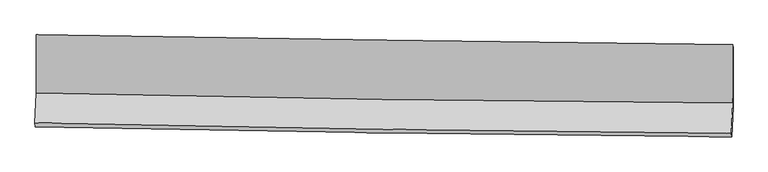
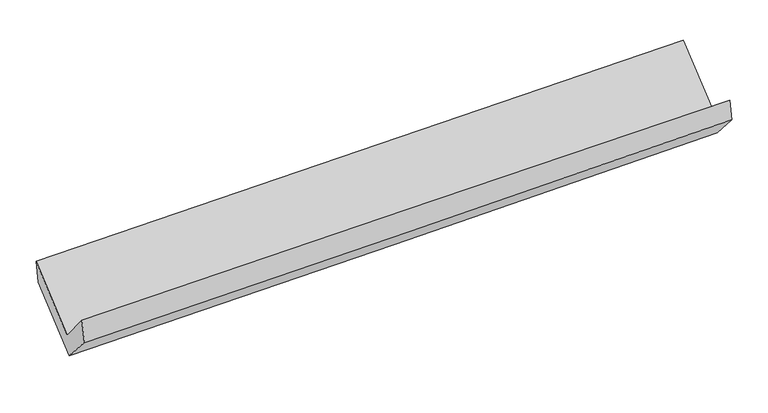
"""IFC4 building model written with IfcOpenShell, lengths in millimetres: proxy geometry."""

from ifc_helpers import new_model, si_unit, frame, origin, place, context, project, spatial, source, transform, mapped, element, save
from ifc_brep_helpers import plane_surface, spline_curve, spline_surface, advanced_brep


def generic_models_d7b3d9aa(model_context):
    return source(origin(), model_context, "Body", "AdvancedBrep", [
        advanced_brep(
        [(-3025.0226051, -1164.3589806, 2171.2494328), (-3024.7008146, -1671.0808025, 1740.4179666), (3014.8047584, -1755.6557407, 1874.2090521), (3013.8367364, -1248.5675556, 2305.3281335), (-3036.0662969, -1929.7947506, 2050.0452443), (3003.4245526, -2021.8991315, 2178.7342452), (-3032.2778867, -1962.8080563, 1848.9271374), (3006.7840663, -2053.0666758, 2004.8732062), (-3021.0958764, -1698.7427527, 1552.1210312), (3017.6739476, -1795.5008581, 1715.6057355), (-3021.2560061, -1191.1641397, 1976.2304571), (3017.0058502, -1280.4386521, 2139.4312721)],
        [
            (0, 1),
            (1, 2, spline_curve(3, [(-3024.7008146, -1671.0808025, 1740.4179666), (-2018.451345864, -1694.203075353, 1770.953785288), (-1012.041053436, -1712.812090294, 1797.370859656), (1001.127462751, -1741.003972162, 1841.968103379), (2007.885694292, -1750.586603244, 1860.148057211), (3014.8047584, -1755.6557407, 1874.2090521)], [4, 2, 4], [0.0, 9.910146204655613, 19.820551174488223])),
            (2, 3),
            (3, 0, spline_curve(3, [(3013.8367364, -1248.5675556, 2305.3281335), (2007.300715721, -1237.268191187, 2283.447630882), (1000.787857343, -1224.601017997, 2261.334005261), (-1012.16525504, -1196.531421662, 2216.641093023), (-2018.605510535, -1181.129069741, 2194.061818023), (-3025.0226051, -1164.3589806, 2171.2494328)], [4, 2, 4], [0.0, 9.91040496983261, 19.820551174488223])),
            (1, 4),
            (4, 5, spline_curve(3, [(-3036.0662969, -1929.7947506, 2050.0452443), (-2029.817054631, -1951.723177475, 2081.504395839), (-1023.408102144, -1970.362698939, 2107.957980195), (989.755505996, -2001.064330883, 2150.854575237), (1996.510170129, -2013.126269977, 2167.29732442), (3003.4245526, -2021.8991315, 2178.7342452)], [4, 2, 4], [0.0, 9.910790255552449, 19.821839293098797])),
            (5, 2),
            (4, 6),
            (6, 7, spline_curve(3, [(-3032.2778867, -1962.8080563, 1848.9271374), (-2025.903121897, -1984.904084856, 1875.837459211), (-1019.467147651, -2003.473598937, 1902.287962034), (993.553500036, -2033.559989253, 1954.270009212), (2000.138176917, -2045.076682219, 1979.801528963), (3006.7840663, -2053.0666758, 2004.8732062)], [4, 2, 4], [0.0, 9.910809360090505, 19.82187750267375])),
            (7, 5),
            (6, 8),
            (8, 9, spline_curve(3, [(-3021.0958764, -1698.7427527, 1552.1210312), (-2014.770334413, -1721.971854768, 1580.266024182), (-1008.383315351, -1741.649522261, 1607.962074054), (1004.539956065, -1773.902409613, 1662.456998599), (2011.076211658, -1786.47744395, 1689.255850508), (3017.6739476, -1795.5008581, 1715.6057355)], [4, 2, 4], [0.0, 9.910953164983201, 19.82216511621405])),
            (9, 7),
            (8, 10),
            (10, 11, spline_curve(3, [(-3021.2560061, -1191.1641397, 1976.2304571), (-2015.066230038, -1215.636560577, 2004.417928866), (-1008.789424408, -1235.312279327, 2032.111561337), (1003.964522912, -1265.070700381, 2086.511859081), (2010.441669441, -1275.153152498, 2113.218498009), (3017.0058502, -1280.4386521, 2139.4312721)], [4, 2, 4], [0.0, 9.910472327311162, 19.821203428314753])),
            (11, 9),
            (10, 0),
            (3, 11),
        ],
        [
            spline_surface(3, 3, [[(-3025.0226051, -1164.3589806, 2171.2494328), (-2018.605510598, -1181.129069621, 2194.061818106), (-1012.165255162, -1196.53142161, 2216.641092934), (1000.787857465, -1224.60101805, 2261.334005349), (2007.300715857, -1237.268191035, 2283.447630738), (3013.8367364, -1248.5675556, 2305.3281335)], [(-3024.915341618, -1333.266254564, 2027.638944076), (-2018.554122385, -1352.153738216, 2053.025807121), (-1012.123854542, -1368.624977832, 2076.884348522), (1000.901059188, -1396.735336049, 2121.545371332), (2007.495708672, -1408.374328429, 2142.347772904), (3014.159410381, -1417.596950628, 2161.621773041)], [(-3024.808078082, -1502.173528536, 1884.028455324), (-2018.502734118, -1523.178406819, 1911.989796109), (-1012.08245393, -1540.71853412, 1937.12760413), (1001.014260903, -1568.869654115, 1981.756737334), (2007.690701545, -1579.480465839, 2001.247915045), (3014.482084419, -1586.626345672, 2017.915412559)], [(-3024.7008146, -1671.0808025, 1740.4179666), (-2018.451345905, -1694.203075414, 1770.953785124), (-1012.04105331, -1712.812090342, 1797.370859717), (1001.127462626, -1741.003972114, 1841.968103317), (2007.885694361, -1750.586603233, 1860.14805721), (3014.8047584, -1755.6557407, 1874.2090521)]], [4, 4], [4, 2, 4], [0.0, 2.182280354335797], [0.0, 9.910146204655613, 19.820551174488223]),
            spline_surface(3, 3, [[(-3024.7008146, -1671.0808025, 1740.4179666), (-2018.451345905, -1694.203075414, 1770.953785124), (-1012.04105331, -1712.812090342, 1797.370859717), (1001.127462626, -1741.003972114, 1841.968103317), (2007.885694361, -1750.586603233, 1860.14805721), (3014.8047584, -1755.6557407, 1874.2090521)], [(-3028.48930868, -1757.318785189, 1843.627059153), (-2022.239915474, -1780.043109456, 1874.470655328), (-1015.830069602, -1798.662293188, 1900.899899884), (997.336810399, -1827.690758391, 1944.930260631), (2004.093852902, -1838.099825449, 1962.531146272), (3011.011356456, -1844.40353762, 1975.717449784)], [(-3032.27780282, -1843.556767911, 1946.836151747), (-2026.028485102, -1865.883143531, 1977.987525572), (-1019.619085848, -1884.512496033, 2004.428940028), (993.546158218, -1914.377544667, 2047.892417924), (2000.302011476, -1925.613047706, 2064.914235382), (3007.217954544, -1933.15133458, 2077.225847516)], [(-3036.0662969, -1929.7947506, 2050.0452443), (-2029.81705467, -1951.723177573, 2081.504395776), (-1023.40810214, -1970.362698879, 2107.957980195), (989.755505991, -2001.064330943, 2150.854575238), (1996.510170018, -2013.126269922, 2167.297324444), (3003.4245526, -2021.8991315, 2178.7342452)]], [4, 4], [4, 2, 4], [0.0, 1.3247706094111535], [0.0, 9.910790255552449, 19.821839293098797]),
            spline_surface(3, 3, [[(-3036.0662969, -1929.7947506, 2050.0452443), (-2029.81705467, -1951.723177573, 2081.504395776), (-1023.40810214, -1970.362698879, 2107.957980195), (989.755505991, -2001.064330943, 2150.854575238), (1996.510170018, -2013.126269922, 2167.297324444), (3003.4245526, -2021.8991315, 2178.7342452)], [(-3034.803493517, -1940.79918586, 1983.005875355), (-2028.512410422, -1962.783480064, 2012.948750254), (-1022.094450662, -1981.399665536, 2039.401307492), (991.021504032, -2011.896217127, 2085.326386504), (1997.719505678, -2023.776407329, 2104.798725991), (3004.544390529, -2032.28831293, 2120.780565554)], [(-3033.540690083, -1951.80362104, 1915.966506345), (-2027.207766122, -1973.843782475, 1944.393104668), (-1020.780799196, -1992.436632116, 1970.844634851), (992.287502062, -2022.728103233, 2019.798197832), (1998.928841252, -2034.426544746, 2042.300127475), (3005.664228371, -2042.67749437, 2062.826885846)], [(-3032.2778867, -1962.8080563, 1848.9271374), (-2025.903121874, -1984.904084966, 1875.837459146), (-1019.467147718, -2003.473598773, 1902.287962148), (993.553500103, -2033.559989416, 1954.270009098), (2000.138176913, -2045.076682153, 1979.801529022), (3006.7840663, -2053.0666758, 2004.8732062)]], [4, 4], [4, 2, 4], [0.0, 0.668705414841524], [0.0, 9.910809360090505, 19.82187750267375]),
            spline_surface(3, 3, [[(-3032.2778867, -1962.8080563, 1848.9271374), (-2025.903121874, -1984.904084966, 1875.837459146), (-1019.467147718, -2003.473598773, 1902.287962148), (993.553500103, -2033.559989416, 1954.270009098), (2000.138176913, -2045.076682153, 1979.801529022), (3006.7840663, -2053.0666758, 2004.8732062)], [(-3028.550549924, -1874.786288427, 1749.991768662), (-2022.192192702, -1897.260008222, 1777.313647453), (-1015.772536942, -1916.198906621, 1804.179332737), (997.215652083, -1947.007462799, 1856.99900566), (2003.784188498, -1958.876936045, 1882.952969463), (3010.414026704, -1967.211403231, 1908.450715947)], [(-3024.823213176, -1786.764520573, 1651.056399938), (-2018.481263559, -1809.615931497, 1678.789835775), (-1012.077926136, -1828.924214466, 1706.070703304), (1000.877804094, -1860.454936178, 1759.728002199), (2007.430200171, -1872.677189946, 1786.104409964), (3014.043987196, -1881.356130669, 1812.028225753)], [(-3021.0958764, -1698.7427527, 1552.1210312), (-2014.770334388, -1721.971854753, 1580.266024082), (-1008.38331536, -1741.649522313, 1607.962073893), (1004.539956074, -1773.902409561, 1662.45699876), (2011.076211756, -1786.477443838, 1689.255850405), (3017.6739476, -1795.5008581, 1715.6057355)]], [4, 4], [4, 2, 4], [0.0, 1.2874829325628552], [0.0, 9.910953164983201, 19.82216511621405]),
            spline_surface(3, 3, [[(-3021.0958764, -1698.7427527, 1552.1210312), (-2014.770334388, -1721.971854753, 1580.266024082), (-1008.38331536, -1741.649522313, 1607.962073893), (1004.539956074, -1773.902409561, 1662.45699876), (2011.076211756, -1786.477443838, 1689.255850405), (3017.6739476, -1795.5008581, 1715.6057355)], [(-3021.149252983, -1529.549881693, 1693.490839839), (-2014.868966302, -1553.193423345, 1721.649992331), (-1008.518685079, -1572.870441256, 1749.345236433), (1004.348145062, -1604.291839856, 1803.80861883), (2010.864697699, -1616.036013457, 1830.576732933), (3017.451248469, -1623.813456117, 1856.880914385)], [(-3021.202629517, -1360.357010707, 1834.860648461), (-2014.967598167, -1384.414991958, 1863.033960562), (-1008.654054806, -1404.091360259, 1890.72839894), (1004.15633404, -1434.681270211, 1945.160238868), (2010.653183635, -1445.594583023, 1971.897615405), (3017.228549331, -1452.126054083, 1998.156093215)], [(-3021.2560061, -1191.1641397, 1976.2304571), (-2015.06623008, -1215.636560549, 2004.417928812), (-1008.789424525, -1235.312279202, 2032.11156148), (1003.964523028, -1265.070700506, 2086.511858938), (2010.441669578, -1275.153152642, 2113.218497934), (3017.0058502, -1280.4386521, 2139.4312721)]], [4, 4], [4, 2, 4], [0.0, 2.170083833262876], [0.0, 9.910472327311162, 19.821203428314753]),
            spline_surface(3, 3, [[(-3021.2560061, -1191.1641397, 1976.2304571), (-2015.06623008, -1215.636560549, 2004.417928812), (-1008.789424525, -1235.312279202, 2032.11156148), (1003.964523028, -1265.070700506, 2086.511858938), (2010.441669578, -1275.153152642, 2113.218497934), (3017.0058502, -1280.4386521, 2139.4312721)], [(-3022.511539078, -1182.229086667, 2041.236782315), (-2016.24599023, -1204.134063573, 2067.632558558), (-1009.914701388, -1222.385326687, 2093.621405299), (1002.905634523, -1251.580806369, 2144.785907743), (2009.394685032, -1262.524832113, 2169.96154219), (3015.949478962, -1269.814953274, 2194.730225888)], [(-3023.767072122, -1173.294033633, 2106.243107585), (-2017.425750448, -1192.631566597, 2130.847188359), (-1011.039978298, -1209.458374126, 2155.131249115), (1001.84674597, -1238.090912187, 2203.059956544), (2008.347700402, -1249.896511564, 2226.704586482), (3014.893107638, -1259.191254426, 2250.029179712)], [(-3025.0226051, -1164.3589806, 2171.2494328), (-2018.605510598, -1181.129069621, 2194.061818106), (-1012.165255162, -1196.53142161, 2216.641092934), (1000.787857465, -1224.60101805, 2261.334005349), (2007.300715857, -1237.268191035, 2283.447630738), (3013.8367364, -1248.5675556, 2305.3281335)]], [4, 4], [4, 2, 4], [0.0, 0.6037481688332587], [0.0, 9.909723590422056, 19.81970593498617]),
            plane_surface(frame((3012.2549852, -1692.5214356, 2036.3636074), z_axis=(0.9996027784533323, -0.017123109671353137, 0.022384915089428144), x_axis=(-0.0010016130644685246, 0.7721823787455743, 0.6354001658215833))),
            plane_surface(frame((-3026.736581, -1602.9915804, 1889.8318782), z_axis=(-0.9996034847646125, 0.017868250373089065, -0.021762326967673034), x_axis=(0.019130613535351997, -0.13614381267228698, -0.990504357333583))),
        ],
        [
            (0, [[1, 2, 3, 4]]),
            (1, [[5, 6, 7, -2]]),
            (2, [[8, 9, 10, -6]]),
            (3, [[11, 12, 13, -9]]),
            (4, [[14, 15, 16, -12]]),
            (5, [[17, -4, 18, -15]]),
            (6, [[-16, -18, -3, -7, -10, -13]]),
            (7, [[-17, -14, -11, -8, -5, -1]]),
        ],
    ),
    ])


if __name__ == "__main__":
    model = new_model("IFC4")
    model_context = context("Model", 3, world=origin())
    ifc_project = project(units=[si_unit("LENGTHUNIT", "METRE", prefix="MILLI")], contexts=[model_context])
    site = spatial("IfcSite", under=ifc_project)
    building = spatial("IfcBuilding", under=site)
    placement = place(None, origin())
    generic_models_shape = generic_models_d7b3d9aa(model_context)
    element("IfcBuildingElementProxy", 1, Name="Generic Models", at=placement, inside=building, context=model_context, shape_type="MappedRepresentation", body=[
        mapped(generic_models_shape, transform((0.0, 0.0, 0.0), x_axis=(1.0, 0.0, 0.0), y_axis=(0.0, 1.0, 0.0), z_axis=(0.0, 0.0, 1.0))),
    ])
    save(model, "model.ifc")
